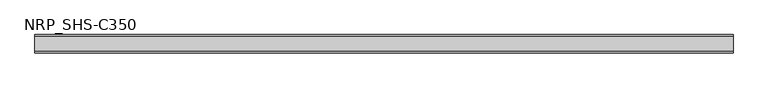
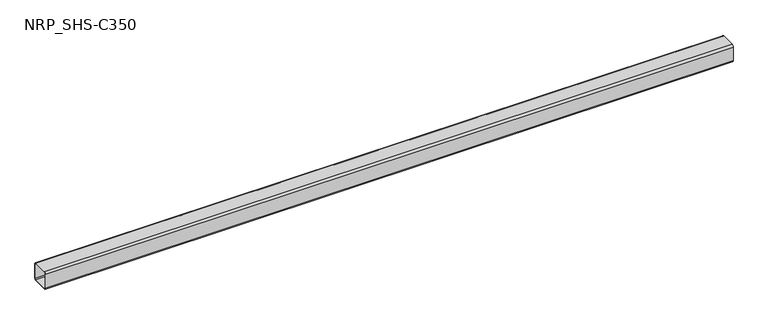
"""IFC4 building model written with IfcOpenShell, lengths in millimetres: member geometry, NRP_SHS-C350."""

import ifcopenshell
import ifcopenshell.guid

model = None  # the IFC model being written
_history = None  # IfcOwnerHistory: only IFC2X3 demands one
_inside = {}  # id of a spatial element -> (the spatial element, [elements in it])
_under = {}  # id of a project, library or spatial element -> (it, [spatial elements below it])
_declared = {}  # id of a project -> (the project, [libraries it declares])
_typed = {}  # id of a type object -> (the type object, [elements of that type])
_made_of = {}  # id of a material, layer set ... -> (it, [elements and type objects made of it])


def new_model(schema):
    """Start an empty IFC model of exactly this schema.

    Asked for "IFC4X3", IfcOpenShell would pick the latest addendum, in which some entities
    have other attributes; the version numbers below select the first issue.
    IFC2X3 requires an IfcOwnerHistory on every rooted entity: one is made here for all.
    """
    global model, _history
    if schema == "IFC4X3":
        model = ifcopenshell.file(schema_version=(4, 3, 0, 0))
    else:
        model = ifcopenshell.file(schema=schema)
    _inside.clear()
    _under.clear()
    _declared.clear()
    _typed.clear()
    _made_of.clear()
    _history = None
    if model.schema == "IFC2X3":
        org = make("IfcOrganization", Name="unknown")
        user = make(
            "IfcPersonAndOrganization",
            ThePerson=make("IfcPerson", FamilyName="unknown"),
            TheOrganization=org,
        )
        app = make(
            "IfcApplication",
            ApplicationDeveloper=org,
            Version="unknown",
            ApplicationFullName="unknown",
            ApplicationIdentifier="unknown",
        )
        _history = make(
            "IfcOwnerHistory",
            OwningUser=user,
            OwningApplication=app,
            ChangeAction="ADDED",
            CreationDate=0,
        )
    return model


def make(cls, **values):
    """One entity of the class cls with the attributes given. An attribute that is None is left unset."""
    return model.create_entity(
        cls, **{name: value for name, value in values.items() if value is not None}
    )


def rooted(cls, **values):
    """An entity with a GlobalId (a new one), such as an element, a storey or a relation."""
    return make(cls, GlobalId=ifcopenshell.guid.new(), OwnerHistory=_history, **values)


def si_unit(unit_type, name, prefix=None):
    """IfcSIUnit, for example si_unit("LENGTHUNIT", "METRE", prefix="MILLI")."""
    return make("IfcSIUnit", UnitType=unit_type, Prefix=prefix, Name=name)


def assignment(units):
    """IfcUnitAssignment: the units of a project."""
    return None if units is None else make("IfcUnitAssignment", Units=units)


def point(xyz):
    """IfcCartesianPoint."""
    return None if xyz is None else make("IfcCartesianPoint", Coordinates=xyz)


def direction(xyz):
    """IfcDirection."""
    return None if xyz is None else make("IfcDirection", DirectionRatios=xyz)


def frame(location, z_axis=None, x_axis=None):
    """IfcAxis2Placement3D, a coordinate frame: its origin and axes. An axis left out is left unset."""
    return make(
        "IfcAxis2Placement3D",
        Location=point(location),
        Axis=direction(z_axis),
        RefDirection=direction(x_axis),
    )


def frame_2d(location, x_axis=None):
    """IfcAxis2Placement2D, a coordinate frame in the plane: its origin and x axis."""
    return make(
        "IfcAxis2Placement2D", Location=point(location), RefDirection=direction(x_axis)
    )


def origin():
    """The frame at (0, 0, 0) with its axes left unset."""
    return frame((0.0, 0.0, 0.0))


def place(relative_to, where):
    """IfcLocalPlacement: puts the frame where relative to a parent placement (None: the world)."""
    return make(
        "IfcLocalPlacement", PlacementRelTo=relative_to, RelativePlacement=where
    )


def context(
    kind, dimensions, precision=None, world=None, true_north=None, identifier=None
):
    """IfcGeometricRepresentationContext, for example the 3D "Model" context."""
    return make(
        "IfcGeometricRepresentationContext",
        ContextIdentifier=identifier,
        ContextType=kind,
        CoordinateSpaceDimension=dimensions,
        Precision=precision,
        WorldCoordinateSystem=world,
        TrueNorth=true_north,
    )


def project(units=None, contexts=None):
    """IfcProject with its units and contexts."""
    return rooted(
        "IfcProject",
        Name="project",
        RepresentationContexts=contexts,
        UnitsInContext=assignment(units),
    )


def spatial(cls, under=None, at=None, **own):
    """A site, building, storey or space (cls), placed at a placement, below another one or the project."""
    s = rooted(cls, ObjectPlacement=at, **own)
    if under is not None:
        _under.setdefault(under.id(), (under, []))[1].append(s)
    return s


def polyline(points):
    """IfcPolyline through the points."""
    return make("IfcPolyline", Points=[point(p) for p in points])


def circle_curve(where, radius):
    """IfcCircle in the frame where."""
    return make("IfcCircle", Position=where, Radius=radius)


def trimmed(basis, trim1, trim2, sense, master):
    """IfcTrimmedCurve: the piece of a basis curve between two trims."""
    return make(
        "IfcTrimmedCurve",
        BasisCurve=basis,
        Trim1=trim1,
        Trim2=trim2,
        SenseAgreement=sense,
        MasterRepresentation=master,
    )


def segment(curve, same_sense, transition):
    """IfcCompositeCurveSegment."""
    return make(
        "IfcCompositeCurveSegment",
        Transition=transition,
        SameSense=same_sense,
        ParentCurve=curve,
    )


def composite_curve(segments, self_intersect=None):
    """IfcCompositeCurve: segments joined end to end."""
    return make("IfcCompositeCurve", Segments=segments, SelfIntersect=self_intersect)


def outline(outer, holes=None, kind="AREA"):
    """IfcArbitraryClosedProfileDef: a profile drawn as a closed curve; with holes, ...WithVoids."""
    if holes is None:
        return make("IfcArbitraryClosedProfileDef", ProfileType=kind, OuterCurve=outer)
    return make(
        "IfcArbitraryProfileDefWithVoids",
        ProfileType=kind,
        OuterCurve=outer,
        InnerCurves=holes,
    )


def extrude(swept, where, along, depth):
    """IfcExtrudedAreaSolid: the profile swept, set in the frame where, extruded along a direction by depth."""
    return make(
        "IfcExtrudedAreaSolid",
        SweptArea=swept,
        Position=where,
        ExtrudedDirection=direction(along),
        Depth=depth,
    )


def shape(context_of_items, identifier, shape_type, items):
    """IfcShapeRepresentation: the items that make up one representation, for example the "Body"."""
    return make(
        "IfcShapeRepresentation",
        ContextOfItems=context_of_items,
        RepresentationIdentifier=identifier,
        RepresentationType=shape_type,
        Items=items,
    )


def source(mapping_origin, context_of_items, identifier, shape_type, items):
    """IfcRepresentationMap: a shape defined once, which mapped items show again and again."""
    return make(
        "IfcRepresentationMap",
        MappingOrigin=mapping_origin,
        MappedRepresentation=shape(context_of_items, identifier, shape_type, items),
    )


def transform(
    local_origin,
    x_axis=None,
    y_axis=None,
    z_axis=None,
    scale=None,
    scale2=None,
    scale3=None,
    uniform=True,
):
    """IfcCartesianTransformationOperator3D, or its non-uniform kind. x_axis, y_axis, z_axis: its Axis1, 2, 3."""
    if uniform:
        return make(
            "IfcCartesianTransformationOperator3D",
            Axis1=direction(x_axis),
            Axis2=direction(y_axis),
            LocalOrigin=point(local_origin),
            Scale=scale,
            Axis3=direction(z_axis),
        )
    return make(
        "IfcCartesianTransformationOperator3DnonUniform",
        Axis1=direction(x_axis),
        Axis2=direction(y_axis),
        LocalOrigin=point(local_origin),
        Scale=scale,
        Axis3=direction(z_axis),
        Scale2=scale2,
        Scale3=scale3,
    )


def mapped(mapping_source, mapping_target):
    """IfcMappedItem: shows the shape of a source again, moved by a transform."""
    return make(
        "IfcMappedItem", MappingSource=mapping_source, MappingTarget=mapping_target
    )


def made_of(thing, what):
    """Note that an element or type object is made of a material, layer set ...; save() writes the relation."""
    if what is not None:
        _made_of.setdefault(what.id(), (what, []))[1].append(thing)
    return thing


def element(
    cls,
    number,
    at=None,
    inside=None,
    cuts=None,
    type_object=None,
    material=None,
    context=None,
    identifier="Body",
    shape_type=None,
    held_by="IfcProductDefinitionShape",
    body=None,
    shapes=None,
    **own,
):
    """One element of the class cls, such as IfcWall. Its Tag is "e" and its number.

    at: its placement. inside: the storey or other place that contains it. cuts: it is an
    opening in that element (IfcRelVoidsElement). A single representation is given by context,
    identifier, shape_type and body (its items); several are given by shapes. held_by: the class
    of the entity that holds the representations. save() writes the other relations.
    """
    e = rooted(cls, Tag="e%d" % number, ObjectPlacement=at, **own)
    if body is not None:
        shapes = [shape(context, identifier, shape_type, body)]
    if shapes is not None:
        e.Representation = make(held_by, Representations=shapes)
    if inside is not None:
        _inside.setdefault(inside.id(), (inside, []))[1].append(e)
    if cuts is not None:
        rooted(
            "IfcRelVoidsElement", RelatingBuildingElement=cuts, RelatedOpeningElement=e
        )
    if type_object is not None:
        _typed.setdefault(type_object.id(), (type_object, []))[1].append(e)
    return made_of(e, material)


def aggregate(whole, parts):
    """IfcRelAggregates: a whole, such as a stair, and the parts it consists of."""
    return rooted("IfcRelAggregates", RelatingObject=whole, RelatedObjects=parts)


def save(model, path):
    """Write the relations noted so far, then the file.

    IfcRelAggregates (storeys below a building ...), IfcRelContainedInSpatialStructure (elements
    in a storey), IfcRelDefinesByType, IfcRelAssociatesMaterial and IfcRelDeclares: one each for
    every whole, place, type object, material and project.
    """
    for whole, parts in _under.values():
        aggregate(whole, parts)
    for where, things in _inside.values():
        rooted(
            "IfcRelContainedInSpatialStructure",
            RelatedElements=things,
            RelatingStructure=where,
        )
    for kind, things in _typed.values():
        rooted("IfcRelDefinesByType", RelatedObjects=things, RelatingType=kind)
    for what, things in _made_of.values():
        rooted("IfcRelAssociatesMaterial", RelatedObjects=things, RelatingMaterial=what)
    for by, libraries in _declared.values():
        rooted("IfcRelDeclares", RelatingContext=by, RelatedDefinitions=libraries)
    model.write(path)


def nrp_shs_c350_31c0d99c(model_context):
    return source(origin(), model_context, "Body", "SweptSolid", [
        extrude(outline(composite_curve([segment(trimmed(circle_curve(frame_2d((-35.75, 35.75)), 8.75), [point((-44.5, 35.75))], [point((-35.75, 44.5))], False, "CARTESIAN"), True, "CONTINUOUS"), segment(polyline([(-35.75, 44.5), (35.75, 44.5)]), True, "CONTINUOUS"), segment(trimmed(circle_curve(frame_2d((35.75, 35.75)), 8.75), [point((35.75, 44.5))], [point((44.5, 35.75))], False, "CARTESIAN"), True, "CONTINUOUS"), segment(polyline([(44.5, 35.75), (44.5, -35.75)]), True, "CONTINUOUS"), segment(trimmed(circle_curve(frame_2d((35.75, -35.75)), 8.75), [point((44.5, -35.75))], [point((35.75, -44.5))], False, "CARTESIAN"), True, "CONTINUOUS"), segment(polyline([(35.75, -44.5), (-35.75, -44.5)]), True, "CONTINUOUS"), segment(trimmed(circle_curve(frame_2d((-35.75, -35.75)), 8.75), [point((-35.75, -44.5))], [point((-44.5, -35.75))], False, "CARTESIAN"), True, "CONTINUOUS"), segment(polyline([(-44.5, -35.75), (-44.5, 35.75)]), True, "CONTINUOUS")], self_intersect=False), holes=[composite_curve([segment(polyline([(35.75, 41.0), (-35.75, 41.0)]), True, "CONTINUOUS"), segment(trimmed(circle_curve(frame_2d((-35.75, 35.75)), 5.25), [point((-35.75, 41.0))], [point((-41.0, 35.75))], True, "CARTESIAN"), True, "CONTINUOUS"), segment(polyline([(-41.0, 35.75), (-41.0, -35.75)]), True, "CONTINUOUS"), segment(trimmed(circle_curve(frame_2d((-35.75, -35.75)), 5.25), [point((-41.0, -35.75))], [point((-35.75, -41.0))], True, "CARTESIAN"), True, "CONTINUOUS"), segment(polyline([(-35.75, -41.0), (35.75, -41.0)]), True, "CONTINUOUS"), segment(trimmed(circle_curve(frame_2d((35.75, -35.75)), 5.25), [point((35.75, -41.0))], [point((41.0, -35.75))], True, "CARTESIAN"), True, "CONTINUOUS"), segment(polyline([(41.0, -35.75), (41.0, 35.75)]), True, "CONTINUOUS"), segment(trimmed(circle_curve(frame_2d((35.75, 35.75)), 5.25), [point((41.0, 35.75))], [point((35.75, 41.0))], True, "CARTESIAN"), True, "CONTINUOUS")], self_intersect=False)]), frame((-1702.0, 0.0, 0.0), z_axis=(1.0, 0.0, 0.0), x_axis=(0.0, 1.0, 0.0)), (0.0, 0.0, 1.0), 3359.0),
    ])


if __name__ == "__main__":
    model = new_model("IFC4")
    model_context = context("Model", 3, world=origin())
    ifc_project = project(units=[si_unit("LENGTHUNIT", "METRE", prefix="MILLI")], contexts=[model_context])
    site = spatial("IfcSite", under=ifc_project)
    building = spatial("IfcBuilding", under=site)
    placement = place(None, origin())
    nrp_shs_c350_shape = nrp_shs_c350_31c0d99c(model_context)
    element("IfcMember", 1, ObjectType="NRP_SHS-C350", at=placement, inside=building, context=model_context, shape_type="MappedRepresentation", body=[
        mapped(nrp_shs_c350_shape, transform((0.0, 0.0, 0.0), x_axis=(1.0, 0.0, 0.0), y_axis=(0.0, 1.0, 0.0), z_axis=(0.0, 0.0, 1.0))),
    ])
    save(model, "model.ifc")
